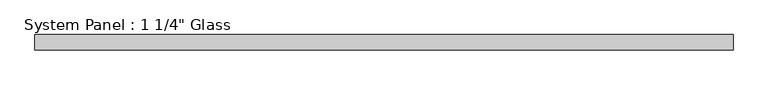
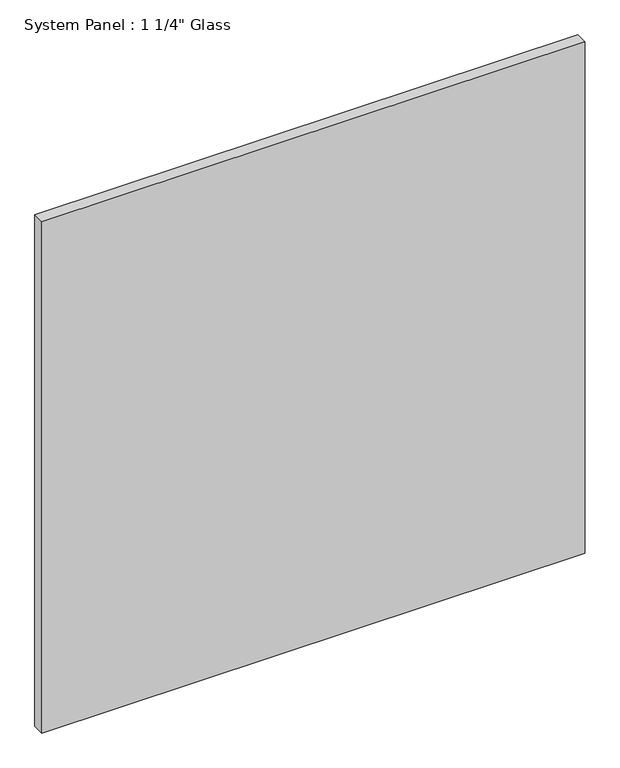
"""IFC4 building model written with IfcOpenShell, lengths in millimetres: plate geometry."""

from ifc_helpers import new_model, si_unit, origin, origin_with_axes, place, context, project, spatial, polyline, outline, extrude, source, transform, mapped, element, save


def plate_e7b74457(model_context):
    return source(origin(), model_context, "Body", "SweptSolid", [
        extrude(outline(polyline([(728.0163063, -40.48125), (-728.0163063, -40.48125), (-728.0163063, -8.73125), (728.0163063, -8.73125), (728.0163063, -40.48125)])), origin_with_axes(), (0.0, 0.0, 1.0), 1448.2280973),
    ])


if __name__ == "__main__":
    model = new_model("IFC4")
    model_context = context("Model", 3, world=origin())
    ifc_project = project(units=[si_unit("LENGTHUNIT", "METRE", prefix="MILLI")], contexts=[model_context])
    site = spatial("IfcSite", under=ifc_project)
    building = spatial("IfcBuilding", under=site)
    placement = place(None, origin())
    plate_shape = plate_e7b74457(model_context)
    element("IfcPlate", 1, ObjectType="System Panel : 1 1/4\" Glass", at=placement, inside=building, context=model_context, shape_type="MappedRepresentation", body=[
        mapped(plate_shape, transform((0.0, 0.0, 0.0), x_axis=(1.0, 0.0, 0.0), y_axis=(0.0, 1.0, 0.0), z_axis=(0.0, 0.0, 1.0))),
    ])
    save(model, "model.ifc")
